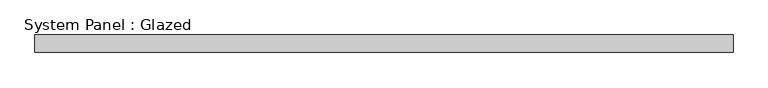
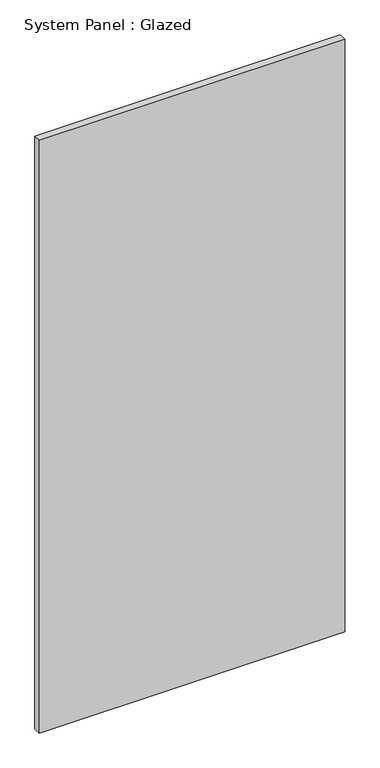
"""IFC4 building model written with IfcOpenShell, lengths in millimetres: plate geometry, System Panel : Glazed."""

from ifc_helpers import new_model, si_unit, origin, origin_with_axes, place, context, project, spatial, polyline, outline, extrude, source, transform, mapped, element, save


def system_panel_glazed_df45cd96(model_context):
    return source(origin(), model_context, "Body", "SweptSolid", [
        extrude(outline(polyline([(500.0000002, 24.5), (-500.0000002, 24.5), (-500.0000002, 49.5), (500.0000002, 49.5), (500.0000002, 24.5)])), origin_with_axes(), (0.0, 0.0, 1.0), 2051.3535595),
    ])


if __name__ == "__main__":
    model = new_model("IFC4")
    model_context = context("Model", 3, world=origin())
    ifc_project = project(units=[si_unit("LENGTHUNIT", "METRE", prefix="MILLI")], contexts=[model_context])
    site = spatial("IfcSite", under=ifc_project)
    building = spatial("IfcBuilding", under=site)
    placement = place(None, origin())
    system_panel_glazed_shape = system_panel_glazed_df45cd96(model_context)
    element("IfcPlate", 1, ObjectType="System Panel : Glazed", at=placement, inside=building, context=model_context, shape_type="MappedRepresentation", body=[
        mapped(system_panel_glazed_shape, transform((0.0, 0.0, 0.0), x_axis=(1.0, 0.0, 0.0), y_axis=(0.0, 1.0, 0.0), z_axis=(0.0, 0.0, 1.0))),
    ])
    save(model, "model.ifc")
